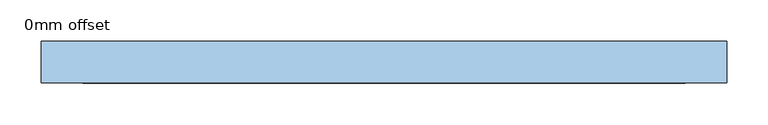
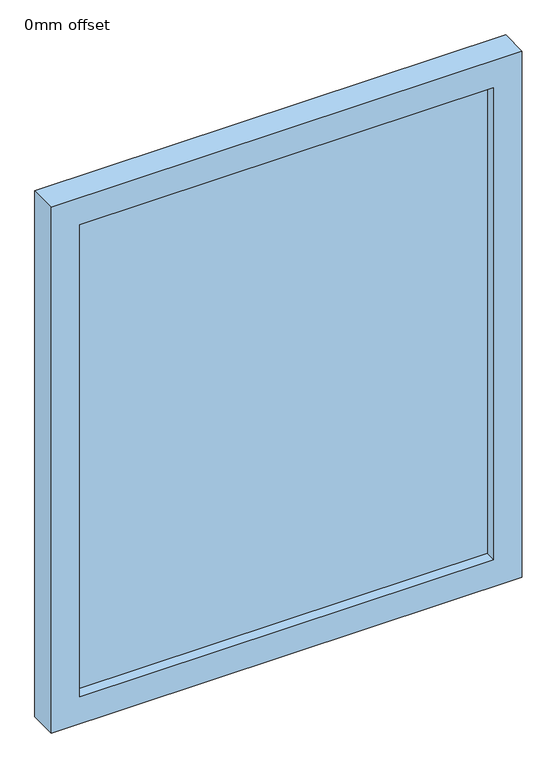
"""IFC4 building model written with IfcOpenShell, lengths in millimetres: window geometry, 0mm offset."""

from ifc_helpers import new_model, si_unit, frame, origin, place, context, project, spatial, polyline, outline, extrude, source, transform, mapped, element, save


def window_0mm_offset_d2ee3e8f(model_context):
    return source(origin(), model_context, "Body", "SweptSolid", [
        extrude(outline(polyline([(363.125, -30.95), (-363.125, -30.95), (-363.125, -18.25), (363.125, -18.25), (363.125, -30.95)])), frame((0.0, 0.0, 50.0), z_axis=(0.0, 0.0, 1.0), x_axis=(1.0, 0.0, 0.0)), (0.0, 0.0, 1.0), 875.0),
        extrude(outline(polyline([(975.0, -413.125), (0.0, -413.125), (0.0, 413.125), (975.0, 413.125), (975.0, -413.125)]), holes=[polyline([(925.0, -363.125), (925.0, 363.125), (50.0, 363.125), (50.0, -363.125), (925.0, -363.125)])]), frame((0.0, -50.0, 0.0), z_axis=(0.0, 1.0, 0.0), x_axis=(0.0, 0.0, 1.0)), (0.0, 0.0, 1.0), 50.0),
    ])


if __name__ == "__main__":
    model = new_model("IFC4")
    model_context = context("Model", 3, world=origin())
    ifc_project = project(units=[si_unit("LENGTHUNIT", "METRE", prefix="MILLI")], contexts=[model_context])
    site = spatial("IfcSite", under=ifc_project)
    building = spatial("IfcBuilding", under=site)
    placement = place(None, origin())
    window_0mm_offset_shape = window_0mm_offset_d2ee3e8f(model_context)
    element("IfcWindow", 1, ObjectType="0mm offset", at=placement, inside=building, context=model_context, shape_type="MappedRepresentation", body=[
        mapped(window_0mm_offset_shape, transform((0.0, 0.0, 0.0), x_axis=(1.0, 0.0, 0.0), y_axis=(0.0, 1.0, 0.0), z_axis=(0.0, 0.0, 1.0))),
    ])
    save(model, "model.ifc")
